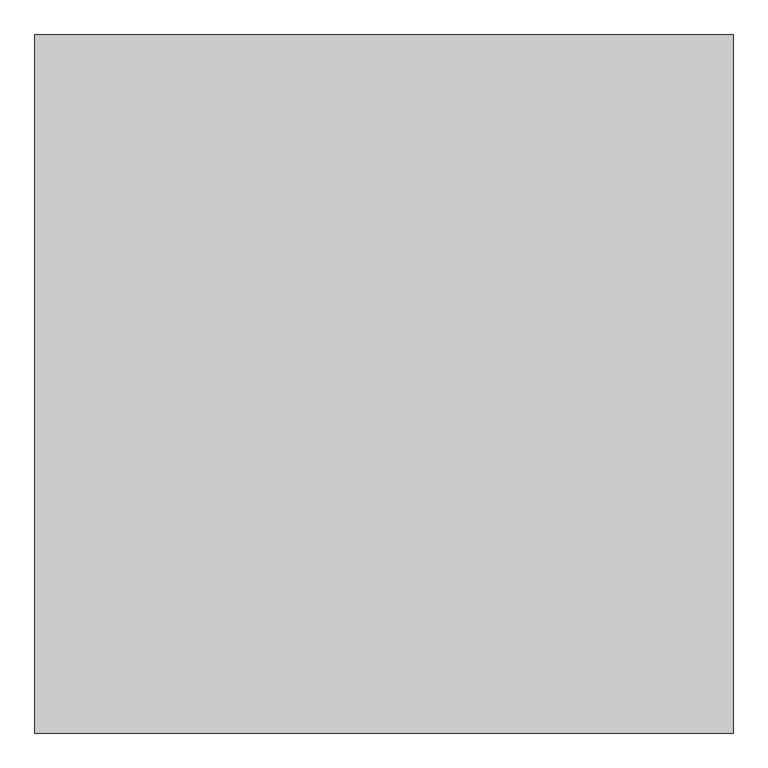
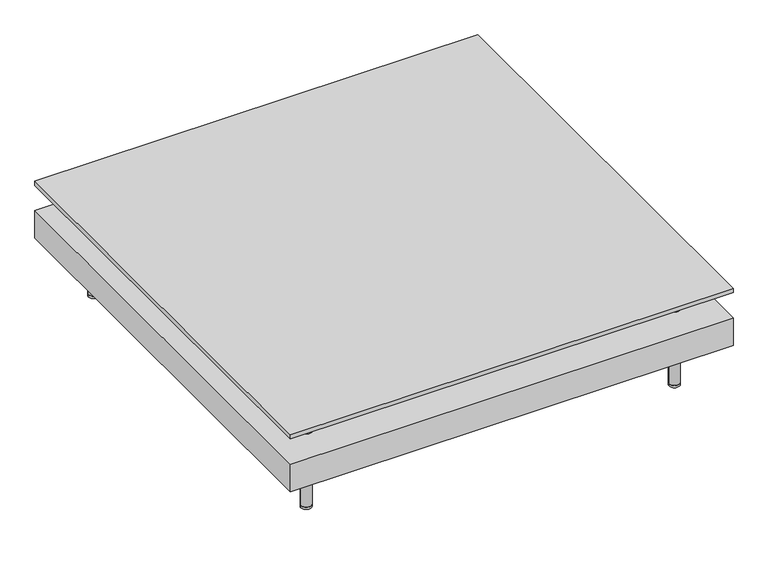
"""IFC4 building model written with IfcOpenShell, lengths in millimetres: furniture geometry."""

from ifc_helpers import new_model, si_unit, point, frame, frame_2d, origin, origin_with_axes, place, context, project, spatial, polyline, circle_curve, trimmed, segment, composite_curve, outline, extrude, faceted_brep, source, transform, mapped, element, save


def furniture_e78068e2(model_context):
    return source(origin(), model_context, "Body", "SolidModel", [
        extrude(outline(composite_curve([segment(trimmed(circle_curve(frame_2d((-501.65, 501.65)), 14.2875), [point((-515.9375, 501.65))], [point((-487.3625, 501.65))], False, "CARTESIAN"), True, "CONTINUOUS"), segment(trimmed(circle_curve(frame_2d((-501.65, 501.65)), 14.2875), [point((-487.3625, 501.65))], [point((-515.9375, 501.65))], False, "CARTESIAN"), True, "CONTINUOUS")], self_intersect=False)), origin_with_axes(), (0.0, 0.0, 1.0), 6.35),
        extrude(outline(composite_curve([segment(trimmed(circle_curve(frame_2d((501.65, 501.65)), 14.2875), [point((487.3625, 501.65))], [point((515.9375, 501.65))], False, "CARTESIAN"), True, "CONTINUOUS"), segment(trimmed(circle_curve(frame_2d((501.65, 501.65)), 14.2875), [point((515.9375, 501.65))], [point((487.3625, 501.65))], False, "CARTESIAN"), True, "CONTINUOUS")], self_intersect=False)), origin_with_axes(), (0.0, 0.0, 1.0), 6.35),
        extrude(outline(composite_curve([segment(trimmed(circle_curve(frame_2d((501.65, -501.65)), 14.2875), [point((487.3625, -501.65))], [point((515.9375, -501.65))], False, "CARTESIAN"), True, "CONTINUOUS"), segment(trimmed(circle_curve(frame_2d((501.65, -501.65)), 14.2875), [point((515.9375, -501.65))], [point((487.3625, -501.65))], False, "CARTESIAN"), True, "CONTINUOUS")], self_intersect=False)), origin_with_axes(), (0.0, 0.0, 1.0), 6.35),
        extrude(outline(composite_curve([segment(trimmed(circle_curve(frame_2d((-501.65, -501.65)), 14.2875), [point((-515.9375, -501.65))], [point((-487.3625, -501.65))], False, "CARTESIAN"), True, "CONTINUOUS"), segment(trimmed(circle_curve(frame_2d((-501.65, -501.65)), 14.2875), [point((-487.3625, -501.65))], [point((-515.9375, -501.65))], False, "CARTESIAN"), True, "CONTINUOUS")], self_intersect=False)), origin_with_axes(), (0.0, 0.0, 1.0), 6.35),
        extrude(outline(polyline([(603.25, 603.25), (603.25, -603.25), (-603.25, -603.25), (-603.25, 603.25), (603.25, 603.25)])), frame((0.0, 0.0, 290.5125), z_axis=(0.0, 0.0, 1.0), x_axis=(1.0, 0.0, 0.0)), (0.0, 0.0, 1.0), 11.6611705),
        extrude(outline(composite_curve([segment(trimmed(circle_curve(frame_2d((-501.65, 501.65)), 14.2875), [point((-515.9375, 501.65))], [point((-487.3625, 501.65))], False, "CARTESIAN"), True, "CONTINUOUS"), segment(trimmed(circle_curve(frame_2d((-501.65, 501.65)), 14.2875), [point((-487.3625, 501.65))], [point((-515.9375, 501.65))], False, "CARTESIAN"), True, "CONTINUOUS")], self_intersect=False)), frame((0.0, 0.0, 6.35), z_axis=(0.0, 0.0, 1.0), x_axis=(1.0, 0.0, 0.0)), (0.0, 0.0, 1.0), 284.1625),
        extrude(outline(composite_curve([segment(trimmed(circle_curve(frame_2d((-501.65, -501.65)), 14.2875), [point((-515.9375, -501.65))], [point((-487.3625, -501.65))], False, "CARTESIAN"), True, "CONTINUOUS"), segment(trimmed(circle_curve(frame_2d((-501.65, -501.65)), 14.2875), [point((-487.3625, -501.65))], [point((-515.9375, -501.65))], False, "CARTESIAN"), True, "CONTINUOUS")], self_intersect=False)), frame((0.0, 0.0, 6.35), z_axis=(0.0, 0.0, 1.0), x_axis=(1.0, 0.0, 0.0)), (0.0, 0.0, 1.0), 284.1625),
        extrude(outline(composite_curve([segment(trimmed(circle_curve(frame_2d((501.65, -501.65)), 14.2875), [point((487.3625, -501.65))], [point((515.9375, -501.65))], False, "CARTESIAN"), True, "CONTINUOUS"), segment(trimmed(circle_curve(frame_2d((501.65, -501.65)), 14.2875), [point((515.9375, -501.65))], [point((487.3625, -501.65))], False, "CARTESIAN"), True, "CONTINUOUS")], self_intersect=False)), frame((0.0, 0.0, 6.35), z_axis=(0.0, 0.0, 1.0), x_axis=(1.0, 0.0, 0.0)), (0.0, 0.0, 1.0), 284.1625),
        extrude(outline(composite_curve([segment(trimmed(circle_curve(frame_2d((501.65, 501.65)), 14.2875), [point((487.3625, 501.65))], [point((515.9375, 501.65))], False, "CARTESIAN"), True, "CONTINUOUS"), segment(trimmed(circle_curve(frame_2d((501.65, 501.65)), 14.2875), [point((515.9375, 501.65))], [point((487.3625, 501.65))], False, "CARTESIAN"), True, "CONTINUOUS")], self_intersect=False)), frame((0.0, 0.0, 6.35), z_axis=(0.0, 0.0, 1.0), x_axis=(1.0, 0.0, 0.0)), (0.0, 0.0, 1.0), 284.1625),
        faceted_brep([(603.25, 603.25, 217.5349959), (-603.25, 603.25, 217.5349959), (-603.25, -603.25, 217.5349959), (603.25, -603.25, 217.5349959), (-584.2, 584.2, 198.4849959), (584.2, 584.2, 198.4849959), (584.2, -584.2, 198.4849959), (-584.2, -584.2, 198.4849959), (603.25, 603.25, 138.1599989), (-603.25, 603.25, 138.1599989), (-603.25, -603.25, 138.1599989), (603.25, -603.25, 138.1599989), (-584.2, 584.2, 138.1599989), (-584.2, -584.2, 138.1599989), (584.2, -584.2, 138.1599989), (584.2, 584.2, 138.1599989)], [[[0, 1, 2, 3]], [[4, 5, 6, 7]], [[1, 0, 8, 9]], [[2, 1, 9, 10]], [[3, 2, 10, 11]], [[8, 0, 3, 11]], [[9, 8, 11, 10], [12, 13, 14, 15]], [[12, 15, 5, 4]], [[15, 14, 6, 5]], [[14, 13, 7, 6]], [[13, 12, 4, 7]]]),
    ])


if __name__ == "__main__":
    model = new_model("IFC4")
    model_context = context("Model", 3, world=origin())
    ifc_project = project(units=[si_unit("LENGTHUNIT", "METRE", prefix="MILLI")], contexts=[model_context])
    site = spatial("IfcSite", under=ifc_project)
    building = spatial("IfcBuilding", under=site)
    placement = place(None, origin())
    furniture_shape = furniture_e78068e2(model_context)
    element("IfcFurniture", 1, at=placement, inside=building, context=model_context, shape_type="MappedRepresentation", body=[
        mapped(furniture_shape, transform((0.0, 0.0, 0.0), x_axis=(1.0, 0.0, 0.0), y_axis=(0.0, 1.0, 0.0), z_axis=(0.0, 0.0, 1.0))),
    ])
    save(model, "model.ifc")
